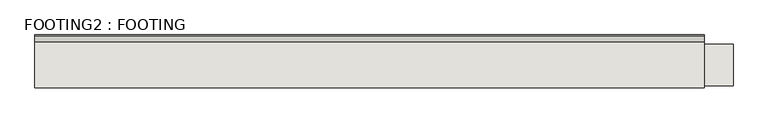
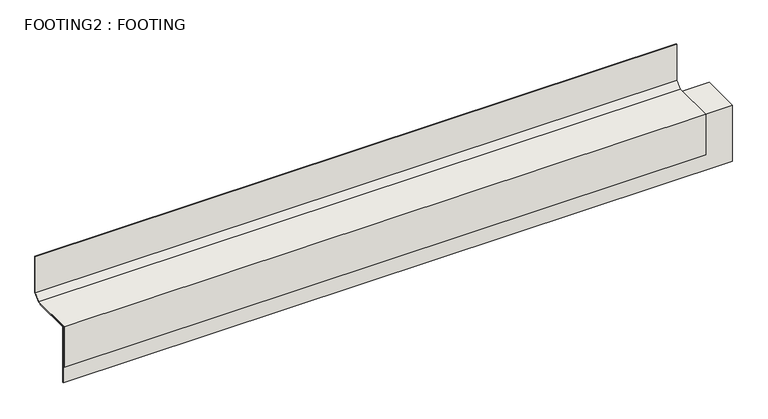
"""IFC4 building model written with IfcOpenShell, lengths in millimetres: wall geometry, FOOTING2 : FOOTING."""

import ifcopenshell
import ifcopenshell.guid

model = None  # the IFC model being written
_history = None  # IfcOwnerHistory: only IFC2X3 demands one
_inside = {}  # id of a spatial element -> (the spatial element, [elements in it])
_under = {}  # id of a project, library or spatial element -> (it, [spatial elements below it])
_declared = {}  # id of a project -> (the project, [libraries it declares])
_typed = {}  # id of a type object -> (the type object, [elements of that type])
_made_of = {}  # id of a material, layer set ... -> (it, [elements and type objects made of it])


def new_model(schema):
    """Start an empty IFC model of exactly this schema.

    Asked for "IFC4X3", IfcOpenShell would pick the latest addendum, in which some entities
    have other attributes; the version numbers below select the first issue.
    IFC2X3 requires an IfcOwnerHistory on every rooted entity: one is made here for all.
    """
    global model, _history
    if schema == "IFC4X3":
        model = ifcopenshell.file(schema_version=(4, 3, 0, 0))
    else:
        model = ifcopenshell.file(schema=schema)
    _inside.clear()
    _under.clear()
    _declared.clear()
    _typed.clear()
    _made_of.clear()
    _history = None
    if model.schema == "IFC2X3":
        org = make("IfcOrganization", Name="unknown")
        user = make(
            "IfcPersonAndOrganization",
            ThePerson=make("IfcPerson", FamilyName="unknown"),
            TheOrganization=org,
        )
        app = make(
            "IfcApplication",
            ApplicationDeveloper=org,
            Version="unknown",
            ApplicationFullName="unknown",
            ApplicationIdentifier="unknown",
        )
        _history = make(
            "IfcOwnerHistory",
            OwningUser=user,
            OwningApplication=app,
            ChangeAction="ADDED",
            CreationDate=0,
        )
    return model


def make(cls, **values):
    """One entity of the class cls with the attributes given. An attribute that is None is left unset."""
    return model.create_entity(
        cls, **{name: value for name, value in values.items() if value is not None}
    )


def rooted(cls, **values):
    """An entity with a GlobalId (a new one), such as an element, a storey or a relation."""
    return make(cls, GlobalId=ifcopenshell.guid.new(), OwnerHistory=_history, **values)


def si_unit(unit_type, name, prefix=None):
    """IfcSIUnit, for example si_unit("LENGTHUNIT", "METRE", prefix="MILLI")."""
    return make("IfcSIUnit", UnitType=unit_type, Prefix=prefix, Name=name)


def assignment(units):
    """IfcUnitAssignment: the units of a project."""
    return None if units is None else make("IfcUnitAssignment", Units=units)


def point(xyz):
    """IfcCartesianPoint."""
    return None if xyz is None else make("IfcCartesianPoint", Coordinates=xyz)


def direction(xyz):
    """IfcDirection."""
    return None if xyz is None else make("IfcDirection", DirectionRatios=xyz)


def frame(location, z_axis=None, x_axis=None):
    """IfcAxis2Placement3D, a coordinate frame: its origin and axes. An axis left out is left unset."""
    return make(
        "IfcAxis2Placement3D",
        Location=point(location),
        Axis=direction(z_axis),
        RefDirection=direction(x_axis),
    )


def origin():
    """The frame at (0, 0, 0) with its axes left unset."""
    return frame((0.0, 0.0, 0.0))


def place(relative_to, where):
    """IfcLocalPlacement: puts the frame where relative to a parent placement (None: the world)."""
    return make(
        "IfcLocalPlacement", PlacementRelTo=relative_to, RelativePlacement=where
    )


def context(
    kind, dimensions, precision=None, world=None, true_north=None, identifier=None
):
    """IfcGeometricRepresentationContext, for example the 3D "Model" context."""
    return make(
        "IfcGeometricRepresentationContext",
        ContextIdentifier=identifier,
        ContextType=kind,
        CoordinateSpaceDimension=dimensions,
        Precision=precision,
        WorldCoordinateSystem=world,
        TrueNorth=true_north,
    )


def project(units=None, contexts=None):
    """IfcProject with its units and contexts."""
    return rooted(
        "IfcProject",
        Name="project",
        RepresentationContexts=contexts,
        UnitsInContext=assignment(units),
    )


def spatial(cls, under=None, at=None, **own):
    """A site, building, storey or space (cls), placed at a placement, below another one or the project."""
    s = rooted(cls, ObjectPlacement=at, **own)
    if under is not None:
        _under.setdefault(under.id(), (under, []))[1].append(s)
    return s


def polyline(points):
    """IfcPolyline through the points."""
    return make("IfcPolyline", Points=[point(p) for p in points])


def outline(outer, holes=None, kind="AREA"):
    """IfcArbitraryClosedProfileDef: a profile drawn as a closed curve; with holes, ...WithVoids."""
    if holes is None:
        return make("IfcArbitraryClosedProfileDef", ProfileType=kind, OuterCurve=outer)
    return make(
        "IfcArbitraryProfileDefWithVoids",
        ProfileType=kind,
        OuterCurve=outer,
        InnerCurves=holes,
    )


def extrude(swept, where, along, depth):
    """IfcExtrudedAreaSolid: the profile swept, set in the frame where, extruded along a direction by depth."""
    return make(
        "IfcExtrudedAreaSolid",
        SweptArea=swept,
        Position=where,
        ExtrudedDirection=direction(along),
        Depth=depth,
    )


def shape(context_of_items, identifier, shape_type, items):
    """IfcShapeRepresentation: the items that make up one representation, for example the "Body"."""
    return make(
        "IfcShapeRepresentation",
        ContextOfItems=context_of_items,
        RepresentationIdentifier=identifier,
        RepresentationType=shape_type,
        Items=items,
    )


def source(mapping_origin, context_of_items, identifier, shape_type, items):
    """IfcRepresentationMap: a shape defined once, which mapped items show again and again."""
    return make(
        "IfcRepresentationMap",
        MappingOrigin=mapping_origin,
        MappedRepresentation=shape(context_of_items, identifier, shape_type, items),
    )


def transform(
    local_origin,
    x_axis=None,
    y_axis=None,
    z_axis=None,
    scale=None,
    scale2=None,
    scale3=None,
    uniform=True,
):
    """IfcCartesianTransformationOperator3D, or its non-uniform kind. x_axis, y_axis, z_axis: its Axis1, 2, 3."""
    if uniform:
        return make(
            "IfcCartesianTransformationOperator3D",
            Axis1=direction(x_axis),
            Axis2=direction(y_axis),
            LocalOrigin=point(local_origin),
            Scale=scale,
            Axis3=direction(z_axis),
        )
    return make(
        "IfcCartesianTransformationOperator3DnonUniform",
        Axis1=direction(x_axis),
        Axis2=direction(y_axis),
        LocalOrigin=point(local_origin),
        Scale=scale,
        Axis3=direction(z_axis),
        Scale2=scale2,
        Scale3=scale3,
    )


def mapped(mapping_source, mapping_target):
    """IfcMappedItem: shows the shape of a source again, moved by a transform."""
    return make(
        "IfcMappedItem", MappingSource=mapping_source, MappingTarget=mapping_target
    )


def made_of(thing, what):
    """Note that an element or type object is made of a material, layer set ...; save() writes the relation."""
    if what is not None:
        _made_of.setdefault(what.id(), (what, []))[1].append(thing)
    return thing


def element(
    cls,
    number,
    at=None,
    inside=None,
    cuts=None,
    type_object=None,
    material=None,
    context=None,
    identifier="Body",
    shape_type=None,
    held_by="IfcProductDefinitionShape",
    body=None,
    shapes=None,
    **own,
):
    """One element of the class cls, such as IfcWall. Its Tag is "e" and its number.

    at: its placement. inside: the storey or other place that contains it. cuts: it is an
    opening in that element (IfcRelVoidsElement). A single representation is given by context,
    identifier, shape_type and body (its items); several are given by shapes. held_by: the class
    of the entity that holds the representations. save() writes the other relations.
    """
    e = rooted(cls, Tag="e%d" % number, ObjectPlacement=at, **own)
    if body is not None:
        shapes = [shape(context, identifier, shape_type, body)]
    if shapes is not None:
        e.Representation = make(held_by, Representations=shapes)
    if inside is not None:
        _inside.setdefault(inside.id(), (inside, []))[1].append(e)
    if cuts is not None:
        rooted(
            "IfcRelVoidsElement", RelatingBuildingElement=cuts, RelatedOpeningElement=e
        )
    if type_object is not None:
        _typed.setdefault(type_object.id(), (type_object, []))[1].append(e)
    return made_of(e, material)


def aggregate(whole, parts):
    """IfcRelAggregates: a whole, such as a stair, and the parts it consists of."""
    return rooted("IfcRelAggregates", RelatingObject=whole, RelatedObjects=parts)


def save(model, path):
    """Write the relations noted so far, then the file.

    IfcRelAggregates (storeys below a building ...), IfcRelContainedInSpatialStructure (elements
    in a storey), IfcRelDefinesByType, IfcRelAssociatesMaterial and IfcRelDeclares: one each for
    every whole, place, type object, material and project.
    """
    for whole, parts in _under.values():
        aggregate(whole, parts)
    for where, things in _inside.values():
        rooted(
            "IfcRelContainedInSpatialStructure",
            RelatedElements=things,
            RelatingStructure=where,
        )
    for kind, things in _typed.values():
        rooted("IfcRelDefinesByType", RelatedObjects=things, RelatingType=kind)
    for what, things in _made_of.values():
        rooted("IfcRelAssociatesMaterial", RelatedObjects=things, RelatingMaterial=what)
    for by, libraries in _declared.values():
        rooted("IfcRelDeclares", RelatingContext=by, RelatedDefinitions=libraries)
    model.write(path)


def footing2_footing_3bca2418(model_context):
    return source(origin(), model_context, "Body", "SweptSolid", [
        extrude(outline(polyline([(2972.8152891, -193.675), (2972.8152891, -409.575), (2969.6402891, -409.575), (2969.6402891, -190.5), (3117.1002871, -190.5), (3117.1002871, -193.675), (2972.8152891, -193.675)])), frame((-1972.1785982, 0.0, 0.0), z_axis=(1.0, 0.0, 0.0), x_axis=(0.0, 1.0, 0.0)), (0.0, 0.0, 1.0), 2476.5),
        extrude(outline(polyline([(3150.6152891, -166.4151281), (3126.5304171, -190.5), (2966.4652891, -190.5), (2966.4652891, -346.075), (2963.2902891, -346.075), (2963.2902891, -187.325), (3125.2152891, -187.325), (3147.4402891, -165.1), (3147.4402891, -25.4), (3150.6152891, -25.4), (3150.6152891, -166.4151281)])), frame((-1972.1785982, 0.0, 0.0), z_axis=(1.0, 0.0, 0.0), x_axis=(0.0, 1.0, 0.0)), (0.0, 0.0, 1.0), 2374.9),
    ])


if __name__ == "__main__":
    model = new_model("IFC4")
    model_context = context("Model", 3, world=origin())
    ifc_project = project(units=[si_unit("LENGTHUNIT", "METRE", prefix="MILLI")], contexts=[model_context])
    site = spatial("IfcSite", under=ifc_project)
    building = spatial("IfcBuilding", under=site)
    placement = place(None, origin())
    footing2_footing_shape = footing2_footing_3bca2418(model_context)
    element("IfcWall", 1, ObjectType="FOOTING2 : FOOTING", at=placement, inside=building, context=model_context, shape_type="MappedRepresentation", body=[
        mapped(footing2_footing_shape, transform((0.0, 0.0, 0.0), x_axis=(1.0, 0.0, 0.0), y_axis=(0.0, 1.0, 0.0), z_axis=(0.0, 0.0, 1.0))),
    ])
    save(model, "model.ifc")
